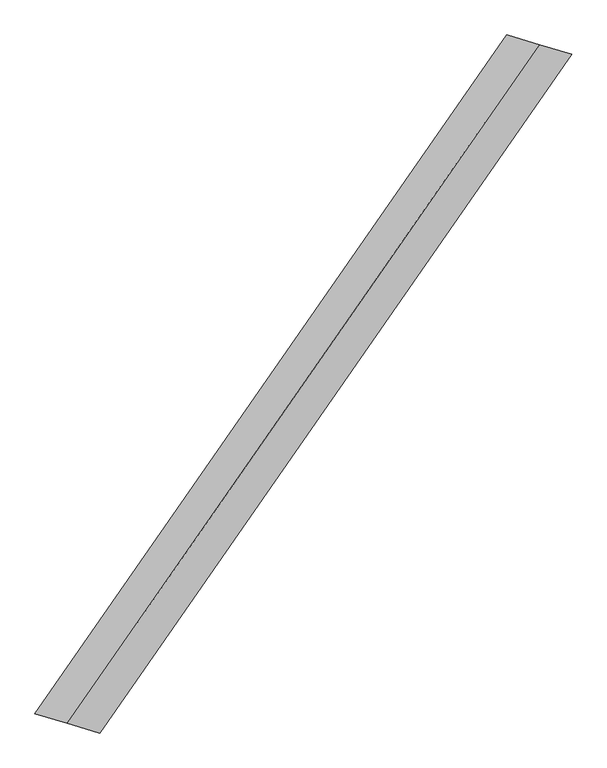
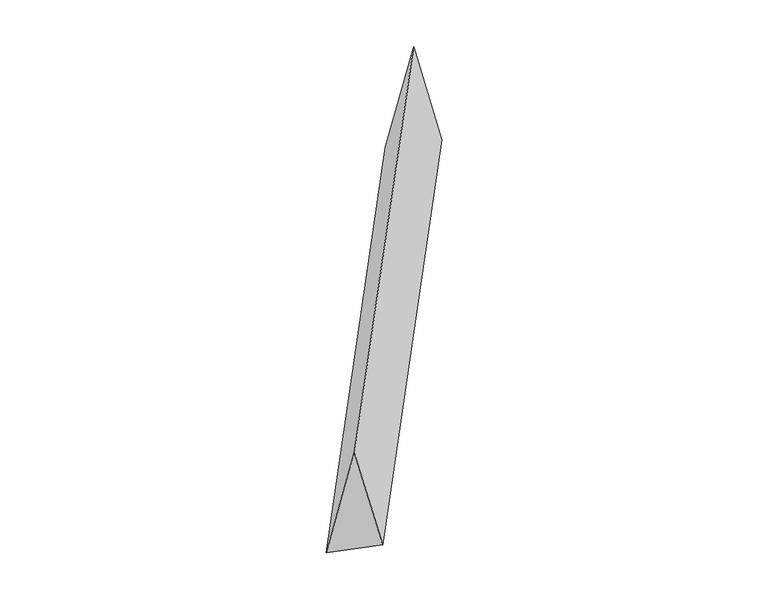
"""IFC4 building model written with IfcOpenShell, lengths in millimetres: proxy geometry."""

from ifc_helpers import new_model, si_unit, origin, place, context, project, spatial, faceted_brep, source, transform, mapped, element, save


def generic_models_59574847(model_context):
    return source(origin(), model_context, "Body", "Brep", [
        faceted_brep([(-1202.144366, -1730.4089273, 700.0), (-1036.4873061, -1779.3215968, 0.0), (1367.8014259, 1681.4962578, 0.0), (1202.144366, 1730.4089273, 700.0), (-1367.8014259, -1681.4962578, 0.0), (1036.4873061, 1779.3215968, 0.0)], [[[0, 1, 2, 3]], [[1, 4, 5, 2]], [[4, 0, 3, 5]], [[3, 2, 5]], [[0, 4, 1]]]),
    ])


if __name__ == "__main__":
    model = new_model("IFC4")
    model_context = context("Model", 3, world=origin())
    ifc_project = project(units=[si_unit("LENGTHUNIT", "METRE", prefix="MILLI")], contexts=[model_context])
    site = spatial("IfcSite", under=ifc_project)
    building = spatial("IfcBuilding", under=site)
    placement = place(None, origin())
    generic_models_shape = generic_models_59574847(model_context)
    element("IfcBuildingElementProxy", 1, Name="Generic Models", at=placement, inside=building, context=model_context, shape_type="MappedRepresentation", body=[
        mapped(generic_models_shape, transform((0.0, 0.0, 0.0), x_axis=(1.0, 0.0, 0.0), y_axis=(0.0, 1.0, 0.0), z_axis=(0.0, 0.0, 1.0))),
    ])
    save(model, "model.ifc")
